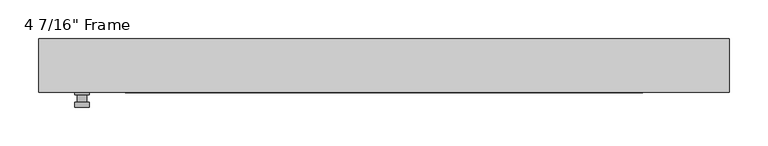
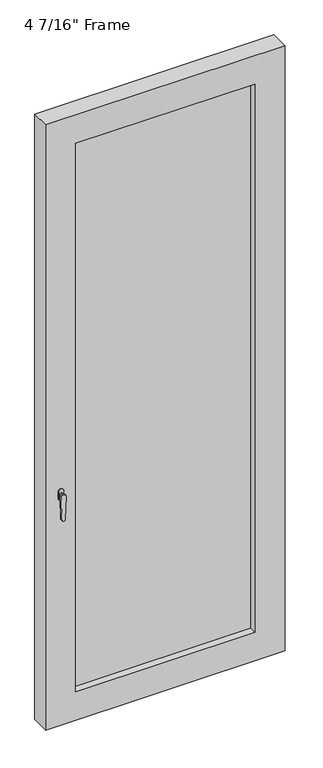
"""IFC4 building model written with IfcOpenShell, lengths in millimetres: plate geometry."""

from ifc_helpers import new_model, si_unit, frame, origin, place, context, project, spatial, polyline, circle_curve, outline, extrude, faceted_brep, source, transform, mapped, element, save
from ifc_brep_helpers import plane_surface, cylinder_surface, advanced_brep


def plate_6be6f4c9(model_context):
    return source(origin(), model_context, "Body", "SolidModel", [
        advanced_brep(
        [(-382.5875, -34.925, 927.1), (-382.5875, -34.925, 901.7), (-401.6375, -34.925, 901.7), (-401.6375, -34.925, 927.1), (-385.7625, -47.625, 914.4), (-398.4625, -47.625, 914.4), (-398.4625, -38.1, 914.4), (-385.7625, -38.1, 914.4), (-382.5875, -47.625, 914.4), (-385.7665356, -47.625, 825.2736467), (-398.4584644, -47.625, 825.2736467), (-401.6375, -47.625, 914.4), (-382.5875, -53.975, 914.4), (-401.6375, -53.975, 914.4), (-398.4584644, -53.975, 825.2736467), (-385.7665356, -53.975, 825.2736467), (-382.5875, -38.1, 927.1), (-401.6375, -38.1, 927.1), (-401.6375, -38.1, 901.7), (-382.5875, -38.1, 901.7)],
        [
            (0, 1),
            (1, 2, circle_curve(frame((-392.1125, -34.925, 901.7), z_axis=(0.0, 1.0, 0.0), x_axis=(-1.0, 0.0, 0.0)), 9.525)),
            (2, 3),
            (3, 0, circle_curve(frame((-392.1125, -34.925, 927.1), z_axis=(0.0, 1.0, 0.0), x_axis=(-1.0, 0.0, 0.0)), 9.525)),
            (4, 5, circle_curve(frame((-392.1125, -47.625, 914.4), z_axis=(0.0, 1.0, 0.0), x_axis=(-1.0, 0.0, 0.0)), 6.35)),
            (5, 6),
            (6, 7, circle_curve(frame((-392.1125, -38.1, 914.4), z_axis=(0.0, -1.0, 0.0), x_axis=(-1.0, 0.0, 0.0)), 6.35)),
            (7, 4),
            (5, 4, circle_curve(frame((-392.1125, -47.625, 914.4), z_axis=(0.0, 1.0, 0.0), x_axis=(-1.0, 0.0, 0.0)), 6.35)),
            (7, 6, circle_curve(frame((-392.1125, -38.1, 914.4), z_axis=(0.0, -1.0, 0.0), x_axis=(-1.0, 0.0, 0.0)), 6.35)),
            (8, 9),
            (9, 10, circle_curve(frame((-392.1125, -47.625, 825.5), z_axis=(0.0, 1.0, 0.0), x_axis=(-1.0, 0.0, 0.0)), 6.35)),
            (10, 11),
            (11, 8, circle_curve(frame((-392.1125, -47.625, 914.4), z_axis=(0.0, 1.0, 0.0), x_axis=(-1.0, 0.0, 0.0)), 9.525)),
            (12, 13, circle_curve(frame((-392.1125, -53.975, 914.4), z_axis=(0.0, -1.0, 0.0), x_axis=(-1.0, 0.0, 0.0)), 9.525)),
            (13, 14),
            (14, 15, circle_curve(frame((-392.1125, -53.975, 825.5), z_axis=(0.0, -1.0, 0.0), x_axis=(-1.0, 0.0, 0.0)), 6.35)),
            (15, 12),
            (8, 12),
            (15, 9),
            (14, 10),
            (13, 11),
            (16, 17, circle_curve(frame((-392.1125, -38.1, 927.1), z_axis=(0.0, -1.0, 0.0), x_axis=(-1.0, 0.0, 0.0)), 9.525)),
            (17, 18),
            (18, 19, circle_curve(frame((-392.1125, -38.1, 901.7), z_axis=(0.0, -1.0, 0.0), x_axis=(-1.0, 0.0, 0.0)), 9.525)),
            (19, 16),
            (0, 16),
            (19, 1),
            (18, 2),
            (17, 3),
        ],
        [
            plane_surface(frame((-398.4625, -34.925, 914.4), z_axis=(0.0, 1.0, 0.0), x_axis=(0.0, 0.0, 1.0))),
            cylinder_surface(frame((-392.1125, -47.625, 914.4), z_axis=(0.0, 1.0, 0.0), x_axis=(-1.0, 0.0, 0.0)), 6.35),
            plane_surface(frame((-382.5875, -47.625, 914.4), z_axis=(0.0, 1.0000000000000002, 0.0), x_axis=(-0.03564619348186888, 0.0, -0.9993644724975235))),
            plane_surface(frame((-382.5875, -53.975, 914.4), z_axis=(0.0, -1.0000000000000002, 0.0), x_axis=(0.03564619348186888, 0.0, 0.9993644724975235))),
            plane_surface(frame((-382.5875, -47.625, 914.4), z_axis=(0.9993644724975235, 0.0, -0.03564619348186888), x_axis=(0.0, -1.0, 0.0))),
            cylinder_surface(frame((-392.1125, -53.975, 825.5), z_axis=(0.0, 1.0, 0.0), x_axis=(-1.0, 0.0, 0.0)), 6.35),
            plane_surface(frame((-398.4584644, -47.625, 825.2736467), z_axis=(-0.9993644724975228, 0.0, -0.03564619348188612), x_axis=(0.0, -1.0, 0.0))),
            cylinder_surface(frame((-392.1125, -53.975, 914.4), z_axis=(0.0, 1.0, 0.0), x_axis=(-1.0, 0.0, 0.0)), 9.525),
            plane_surface(frame((-382.5875, -38.1, 901.7), z_axis=(0.0, -1.0, 0.0), x_axis=(0.0, 0.0, 1.0))),
            plane_surface(frame((-382.5875, -34.925, 927.1), z_axis=(1.0, 0.0, 0.0), x_axis=(0.0, -1.0, 0.0))),
            cylinder_surface(frame((-392.1125, -38.1, 901.7), z_axis=(0.0, 1.0, 0.0), x_axis=(-1.0, 0.0, 0.0)), 9.525),
            plane_surface(frame((-401.6375, -34.925, 901.7), z_axis=(-1.0, 0.0, 0.0), x_axis=(0.0, -1.0, 0.0))),
            cylinder_surface(frame((-392.1125, -38.1, 927.1), z_axis=(0.0, 1.0, 0.0), x_axis=(-1.0, 0.0, 0.0)), 9.525),
        ],
        [
            (0, [[1, 2, 3, 4]]),
            (1, [[5, 6, 7, 8]]),
            (1, [[9, -8, 10, -6]]),
            (2, [[11, 12, 13, 14], [-5, -9]]),
            (3, [[15, 16, 17, 18]]),
            (4, [[-11, 19, -18, 20]]),
            (5, [[-12, -20, -17, 21]]),
            (6, [[-13, -21, -16, 22]]),
            (7, [[-14, -22, -15, -19]]),
            (8, [[23, 24, 25, 26], [-7, -10]]),
            (9, [[-1, 27, -26, 28]]),
            (10, [[-2, -28, -25, 29]]),
            (11, [[-3, -29, -24, 30]]),
            (12, [[-4, -30, -23, -27]]),
        ],
    ),
        faceted_brep([(-448.46875, -34.925, 0.0), (-448.46875, 34.925, 0.0), (448.46875, 34.925, 0.0), (448.46875, -34.925, 0.0), (-335.75625, 34.925, 2282.825), (-335.75625, 15.875, 2282.825), (-335.75625, 15.875, 112.7125), (-335.75625, 34.925, 112.7125), (348.45625, 15.875, 2295.525), (-348.45625, 15.875, 2295.525), (-348.45625, 15.875, 100.0125), (348.45625, 15.875, 100.0125), (335.75625, 15.875, 2282.825), (335.75625, 15.875, 112.7125), (-348.45625, -7.9375, 2295.525), (-348.45625, -7.9375, 100.0125), (348.45625, -7.9375, 2295.525), (348.45625, -7.9375, 100.0125), (-335.75625, -7.9375, 2282.825), (-335.75625, -7.9375, 112.7125), (335.75625, -7.9375, 112.7125), (335.75625, -7.9375, 2282.825), (-335.75625, -34.925, 2282.825), (-335.75625, -34.925, 112.7125), (448.46875, -34.925, 2395.5375), (-448.46875, -34.925, 2395.5375), (335.75625, -34.925, 2282.825), (335.75625, -34.925, 112.7125), (-448.46875, 34.925, 2395.5375), (448.46875, 34.925, 2395.5375), (335.75625, 34.925, 112.7125), (335.75625, 34.925, 2282.825)], [[[0, 1, 2, 3]], [[4, 5, 6, 7]], [[8, 9, 10, 11], [5, 12, 13, 6]], [[10, 9, 14, 15]], [[14, 16, 17, 15], [18, 19, 20, 21]], [[18, 22, 23, 19]], [[0, 3, 24, 25], [22, 26, 27, 23]], [[1, 0, 25, 28]], [[2, 1, 28, 29], [4, 7, 30, 31]], [[5, 4, 31, 12]], [[9, 8, 16, 14]], [[18, 21, 26, 22]], [[25, 24, 29, 28]], [[12, 31, 30, 13]], [[17, 16, 8, 11]], [[26, 21, 20, 27]], [[24, 3, 2, 29]], [[23, 27, 20, 19]], [[11, 10, 15, 17]], [[6, 13, 30, 7]]]),
        extrude(outline(polyline([(348.45625, -7.9375), (-348.45625, -7.9375), (-348.45625, 15.875), (348.45625, 15.875), (348.45625, -7.9375)])), frame((0.0, 0.0, 100.0125), z_axis=(0.0, 0.0, 1.0), x_axis=(1.0, 0.0, 0.0)), (0.0, 0.0, 1.0), 2195.5125),
    ])


if __name__ == "__main__":
    model = new_model("IFC4")
    model_context = context("Model", 3, world=origin())
    ifc_project = project(units=[si_unit("LENGTHUNIT", "METRE", prefix="MILLI")], contexts=[model_context])
    site = spatial("IfcSite", under=ifc_project)
    building = spatial("IfcBuilding", under=site)
    placement = place(None, origin())
    plate_shape = plate_6be6f4c9(model_context)
    element("IfcPlate", 1, ObjectType="4 7/16\" Frame", at=placement, inside=building, context=model_context, shape_type="MappedRepresentation", body=[
        mapped(plate_shape, transform((0.0, 0.0, 0.0), x_axis=(1.0, 0.0, 0.0), y_axis=(0.0, 1.0, 0.0), z_axis=(0.0, 0.0, 1.0))),
    ])
    save(model, "model.ifc")
